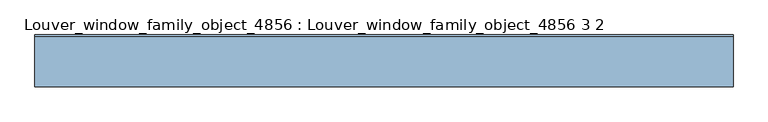
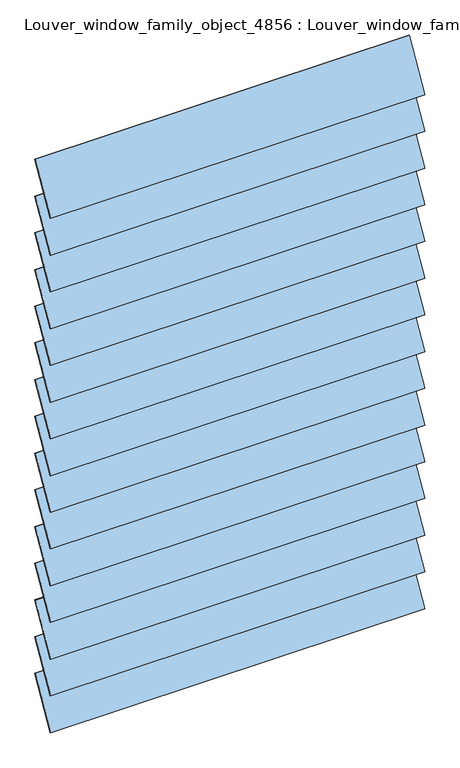
"""IFC4 building model written with IfcOpenShell, lengths in millimetres: window geometry, Louver_window_family_object_4856 : Louver_window_family_object_4856 3 2."""

from ifc_helpers import new_model, si_unit, point, frame, frame_2d, origin, place, context, project, spatial, polyline, circle_curve, trimmed, segment, composite_curve, outline, extrude, source, transform, mapped, element, save


def louver_window_family_object_4856_louver_window_family_object_4c3bf31d(model_context):
    return source(origin(), model_context, "Body", "SweptSolid", [
        extrude(outline(composite_curve([segment(polyline([(39.4665462, 2799.3116346), (-36.7169155, 2667.3580082)]), True, "CONTINUOUS"), segment(trimmed(circle_curve(frame_2d((0.0, 2734.1285714)), 76.2), [point((-36.7169155, 2667.3580082))], [point((-39.4665462, 2668.9455082))], False, "CARTESIAN"), True, "CONTINUOUS"), segment(polyline([(-39.4665462, 2668.9455082), (36.7169155, 2800.8991346)]), True, "CONTINUOUS"), segment(trimmed(circle_curve(frame_2d((0.0, 2734.1285714)), 76.2), [point((36.7169155, 2800.8991346))], [point((39.4665462, 2799.3116346))], False, "CARTESIAN"), True, "CONTINUOUS")], self_intersect=False)), frame((-533.4, 0.0, 0.0), z_axis=(1.0, 0.0, 0.0), x_axis=(0.0, 1.0, 0.0)), (0.0, 0.0, 1.0), 1066.8),
        extrude(outline(composite_curve([segment(polyline([(39.4665462, 2688.6402061), (-36.7169155, 2556.6865796)]), True, "CONTINUOUS"), segment(trimmed(circle_curve(frame_2d((0.0, 2623.4571429)), 76.2), [point((-36.7169155, 2556.6865796))], [point((-39.4665462, 2558.2740796))], False, "CARTESIAN"), True, "CONTINUOUS"), segment(polyline([(-39.4665462, 2558.2740796), (36.7169155, 2690.2277061)]), True, "CONTINUOUS"), segment(trimmed(circle_curve(frame_2d((0.0, 2623.4571429)), 76.2), [point((36.7169155, 2690.2277061))], [point((39.4665462, 2688.6402061))], False, "CARTESIAN"), True, "CONTINUOUS")], self_intersect=False)), frame((-533.4, 0.0, 0.0), z_axis=(1.0, 0.0, 0.0), x_axis=(0.0, 1.0, 0.0)), (0.0, 0.0, 1.0), 1066.8),
        extrude(outline(composite_curve([segment(polyline([(39.4665462, 2577.9687775), (-36.7169155, 2446.0151511)]), True, "CONTINUOUS"), segment(trimmed(circle_curve(frame_2d((0.0, 2512.7857143)), 76.2), [point((-36.7169155, 2446.0151511))], [point((-39.4665462, 2447.6026511))], False, "CARTESIAN"), True, "CONTINUOUS"), segment(polyline([(-39.4665462, 2447.6026511), (36.7169155, 2579.5562775)]), True, "CONTINUOUS"), segment(trimmed(circle_curve(frame_2d((0.0, 2512.7857143)), 76.2), [point((36.7169155, 2579.5562775))], [point((39.4665462, 2577.9687775))], False, "CARTESIAN"), True, "CONTINUOUS")], self_intersect=False)), frame((-533.4, 0.0, 0.0), z_axis=(1.0, 0.0, 0.0), x_axis=(0.0, 1.0, 0.0)), (0.0, 0.0, 1.0), 1066.8),
        extrude(outline(composite_curve([segment(polyline([(39.4665462, 2467.2973489), (-36.7169155, 2335.3437225)]), True, "CONTINUOUS"), segment(trimmed(circle_curve(frame_2d((0.0, 2402.1142857)), 76.2), [point((-36.7169155, 2335.3437225))], [point((-39.4665462, 2336.9312225))], False, "CARTESIAN"), True, "CONTINUOUS"), segment(polyline([(-39.4665462, 2336.9312225), (36.7169155, 2468.8848489)]), True, "CONTINUOUS"), segment(trimmed(circle_curve(frame_2d((0.0, 2402.1142857)), 76.2), [point((36.7169155, 2468.8848489))], [point((39.4665462, 2467.2973489))], False, "CARTESIAN"), True, "CONTINUOUS")], self_intersect=False)), frame((-533.4, 0.0, 0.0), z_axis=(1.0, 0.0, 0.0), x_axis=(0.0, 1.0, 0.0)), (0.0, 0.0, 1.0), 1066.8),
        extrude(outline(composite_curve([segment(polyline([(39.4665462, 2356.6259204), (-36.7169155, 2224.6722939)]), True, "CONTINUOUS"), segment(trimmed(circle_curve(frame_2d((0.0, 2291.4428571)), 76.2), [point((-36.7169155, 2224.6722939))], [point((-39.4665462, 2226.2597939))], False, "CARTESIAN"), True, "CONTINUOUS"), segment(polyline([(-39.4665462, 2226.2597939), (36.7169155, 2358.2134204)]), True, "CONTINUOUS"), segment(trimmed(circle_curve(frame_2d((0.0, 2291.4428571)), 76.2), [point((36.7169155, 2358.2134204))], [point((39.4665462, 2356.6259204))], False, "CARTESIAN"), True, "CONTINUOUS")], self_intersect=False)), frame((-533.4, 0.0, 0.0), z_axis=(1.0, 0.0, 0.0), x_axis=(0.0, 1.0, 0.0)), (0.0, 0.0, 1.0), 1066.8),
        extrude(outline(composite_curve([segment(polyline([(39.4665462, 2245.9544918), (-36.7169155, 2114.0008654)]), True, "CONTINUOUS"), segment(trimmed(circle_curve(frame_2d((0.0, 2180.7714286)), 76.2), [point((-36.7169155, 2114.0008654))], [point((-39.4665462, 2115.5883654))], False, "CARTESIAN"), True, "CONTINUOUS"), segment(polyline([(-39.4665462, 2115.5883654), (36.7169155, 2247.5419918)]), True, "CONTINUOUS"), segment(trimmed(circle_curve(frame_2d((0.0, 2180.7714286)), 76.2), [point((36.7169155, 2247.5419918))], [point((39.4665462, 2245.9544918))], False, "CARTESIAN"), True, "CONTINUOUS")], self_intersect=False)), frame((-533.4, 0.0, 0.0), z_axis=(1.0, 0.0, 0.0), x_axis=(0.0, 1.0, 0.0)), (0.0, 0.0, 1.0), 1066.8),
        extrude(outline(composite_curve([segment(polyline([(39.4665462, 2135.2830632), (-36.7169155, 2003.3294368)]), True, "CONTINUOUS"), segment(trimmed(circle_curve(frame_2d((0.0, 2070.1)), 76.2), [point((-36.7169155, 2003.3294368))], [point((-39.4665462, 2004.9169368))], False, "CARTESIAN"), True, "CONTINUOUS"), segment(polyline([(-39.4665462, 2004.9169368), (36.7169155, 2136.8705632)]), True, "CONTINUOUS"), segment(trimmed(circle_curve(frame_2d((0.0, 2070.1)), 76.2), [point((36.7169155, 2136.8705632))], [point((39.4665462, 2135.2830632))], False, "CARTESIAN"), True, "CONTINUOUS")], self_intersect=False)), frame((-533.4, 0.0, 0.0), z_axis=(1.0, 0.0, 0.0), x_axis=(0.0, 1.0, 0.0)), (0.0, 0.0, 1.0), 1066.8),
        extrude(outline(composite_curve([segment(polyline([(39.4665462, 2024.6116346), (-36.7169155, 1892.6580082)]), True, "CONTINUOUS"), segment(trimmed(circle_curve(frame_2d((0.0, 1959.4285714)), 76.2), [point((-36.7169155, 1892.6580082))], [point((-39.4665462, 1894.2455082))], False, "CARTESIAN"), True, "CONTINUOUS"), segment(polyline([(-39.4665462, 1894.2455082), (36.7169155, 2026.1991346)]), True, "CONTINUOUS"), segment(trimmed(circle_curve(frame_2d((0.0, 1959.4285714)), 76.2), [point((36.7169155, 2026.1991346))], [point((39.4665462, 2024.6116346))], False, "CARTESIAN"), True, "CONTINUOUS")], self_intersect=False)), frame((-533.4, 0.0, 0.0), z_axis=(1.0, 0.0, 0.0), x_axis=(0.0, 1.0, 0.0)), (0.0, 0.0, 1.0), 1066.8),
        extrude(outline(composite_curve([segment(polyline([(39.4665462, 1913.9402061), (-36.7169155, 1781.9865796)]), True, "CONTINUOUS"), segment(trimmed(circle_curve(frame_2d((0.0, 1848.7571429)), 76.2), [point((-36.7169155, 1781.9865796))], [point((-39.4665462, 1783.5740796))], False, "CARTESIAN"), True, "CONTINUOUS"), segment(polyline([(-39.4665462, 1783.5740796), (36.7169155, 1915.5277061)]), True, "CONTINUOUS"), segment(trimmed(circle_curve(frame_2d((0.0, 1848.7571429)), 76.2), [point((36.7169155, 1915.5277061))], [point((39.4665462, 1913.9402061))], False, "CARTESIAN"), True, "CONTINUOUS")], self_intersect=False)), frame((-533.4, 0.0, 0.0), z_axis=(1.0, 0.0, 0.0), x_axis=(0.0, 1.0, 0.0)), (0.0, 0.0, 1.0), 1066.8),
        extrude(outline(composite_curve([segment(polyline([(39.4665462, 1803.2687775), (-36.7169155, 1671.3151511)]), True, "CONTINUOUS"), segment(trimmed(circle_curve(frame_2d((0.0, 1738.0857143)), 76.2), [point((-36.7169155, 1671.3151511))], [point((-39.4665462, 1672.9026511))], False, "CARTESIAN"), True, "CONTINUOUS"), segment(polyline([(-39.4665462, 1672.9026511), (36.7169155, 1804.8562775)]), True, "CONTINUOUS"), segment(trimmed(circle_curve(frame_2d((0.0, 1738.0857143)), 76.2), [point((36.7169155, 1804.8562775))], [point((39.4665462, 1803.2687775))], False, "CARTESIAN"), True, "CONTINUOUS")], self_intersect=False)), frame((-533.4, 0.0, 0.0), z_axis=(1.0, 0.0, 0.0), x_axis=(0.0, 1.0, 0.0)), (0.0, 0.0, 1.0), 1066.8),
        extrude(outline(composite_curve([segment(polyline([(39.4665462, 1692.5973489), (-36.7169155, 1560.6437225)]), True, "CONTINUOUS"), segment(trimmed(circle_curve(frame_2d((0.0, 1627.4142857)), 76.2), [point((-36.7169155, 1560.6437225))], [point((-39.4665462, 1562.2312225))], False, "CARTESIAN"), True, "CONTINUOUS"), segment(polyline([(-39.4665462, 1562.2312225), (36.7169155, 1694.1848489)]), True, "CONTINUOUS"), segment(trimmed(circle_curve(frame_2d((0.0, 1627.4142857)), 76.2), [point((36.7169155, 1694.1848489))], [point((39.4665462, 1692.5973489))], False, "CARTESIAN"), True, "CONTINUOUS")], self_intersect=False)), frame((-533.4, 0.0, 0.0), z_axis=(1.0, 0.0, 0.0), x_axis=(0.0, 1.0, 0.0)), (0.0, 0.0, 1.0), 1066.8),
        extrude(outline(composite_curve([segment(polyline([(39.4665462, 1581.9259204), (-36.7169155, 1449.9722939)]), True, "CONTINUOUS"), segment(trimmed(circle_curve(frame_2d((0.0, 1516.7428571)), 76.2), [point((-36.7169155, 1449.9722939))], [point((-39.4665462, 1451.5597939))], False, "CARTESIAN"), True, "CONTINUOUS"), segment(polyline([(-39.4665462, 1451.5597939), (36.7169155, 1583.5134204)]), True, "CONTINUOUS"), segment(trimmed(circle_curve(frame_2d((0.0, 1516.7428571)), 76.2), [point((36.7169155, 1583.5134204))], [point((39.4665462, 1581.9259204))], False, "CARTESIAN"), True, "CONTINUOUS")], self_intersect=False)), frame((-533.4, 0.0, 0.0), z_axis=(1.0, 0.0, 0.0), x_axis=(0.0, 1.0, 0.0)), (0.0, 0.0, 1.0), 1066.8),
        extrude(outline(composite_curve([segment(polyline([(39.4665462, 1471.2544918), (-36.7169155, 1339.3008654)]), True, "CONTINUOUS"), segment(trimmed(circle_curve(frame_2d((0.0, 1406.0714286)), 76.2), [point((-36.7169155, 1339.3008654))], [point((-39.4665462, 1340.8883654))], False, "CARTESIAN"), True, "CONTINUOUS"), segment(polyline([(-39.4665462, 1340.8883654), (36.7169155, 1472.8419918)]), True, "CONTINUOUS"), segment(trimmed(circle_curve(frame_2d((0.0, 1406.0714286)), 76.2), [point((36.7169155, 1472.8419918))], [point((39.4665462, 1471.2544918))], False, "CARTESIAN"), True, "CONTINUOUS")], self_intersect=False)), frame((-533.4, 0.0, 0.0), z_axis=(1.0, 0.0, 0.0), x_axis=(0.0, 1.0, 0.0)), (0.0, 0.0, 1.0), 1066.8),
        extrude(outline(composite_curve([segment(polyline([(39.4665462, 2909.9830632), (-36.7169155, 2778.0294368)]), True, "CONTINUOUS"), segment(trimmed(circle_curve(frame_2d((0.0, 2844.8)), 76.2), [point((-36.7169155, 2778.0294368))], [point((-39.4665462, 2779.6169368))], False, "CARTESIAN"), True, "CONTINUOUS"), segment(polyline([(-39.4665462, 2779.6169368), (36.7169155, 2911.5705632)]), True, "CONTINUOUS"), segment(trimmed(circle_curve(frame_2d((0.0, 2844.8)), 76.2), [point((36.7169155, 2911.5705632))], [point((39.4665462, 2909.9830632))], False, "CARTESIAN"), True, "CONTINUOUS")], self_intersect=False)), frame((-533.4, 0.0, 0.0), z_axis=(1.0, 0.0, 0.0), x_axis=(0.0, 1.0, 0.0)), (0.0, 0.0, 1.0), 1066.8),
        extrude(outline(composite_curve([segment(polyline([(39.4665462, 1360.5830632), (-36.7169155, 1228.6294368)]), True, "CONTINUOUS"), segment(trimmed(circle_curve(frame_2d((0.0, 1295.4)), 76.2), [point((-36.7169155, 1228.6294368))], [point((-39.4665462, 1230.2169368))], False, "CARTESIAN"), True, "CONTINUOUS"), segment(polyline([(-39.4665462, 1230.2169368), (36.7169155, 1362.1705632)]), True, "CONTINUOUS"), segment(trimmed(circle_curve(frame_2d((0.0, 1295.4)), 76.2), [point((36.7169155, 1362.1705632))], [point((39.4665462, 1360.5830632))], False, "CARTESIAN"), True, "CONTINUOUS")], self_intersect=False)), frame((-533.4, 0.0, 0.0), z_axis=(1.0, 0.0, 0.0), x_axis=(0.0, 1.0, 0.0)), (0.0, 0.0, 1.0), 1066.8),
    ])


if __name__ == "__main__":
    model = new_model("IFC4")
    model_context = context("Model", 3, world=origin())
    ifc_project = project(units=[si_unit("LENGTHUNIT", "METRE", prefix="MILLI")], contexts=[model_context])
    site = spatial("IfcSite", under=ifc_project)
    building = spatial("IfcBuilding", under=site)
    placement = place(None, origin())
    louver_window_family_object_4856_louver_window_family_object_shape = louver_window_family_object_4856_louver_window_family_object_4c3bf31d(model_context)
    element("IfcWindow", 1, ObjectType="Louver_window_family_object_4856 : Louver_window_family_object_4856 3 2", at=placement, inside=building, context=model_context, shape_type="MappedRepresentation", body=[
        mapped(louver_window_family_object_4856_louver_window_family_object_shape, transform((0.0, 0.0, 0.0), x_axis=(1.0, 0.0, 0.0), y_axis=(0.0, 1.0, 0.0), z_axis=(0.0, 0.0, 1.0))),
    ])
    save(model, "model.ifc")
